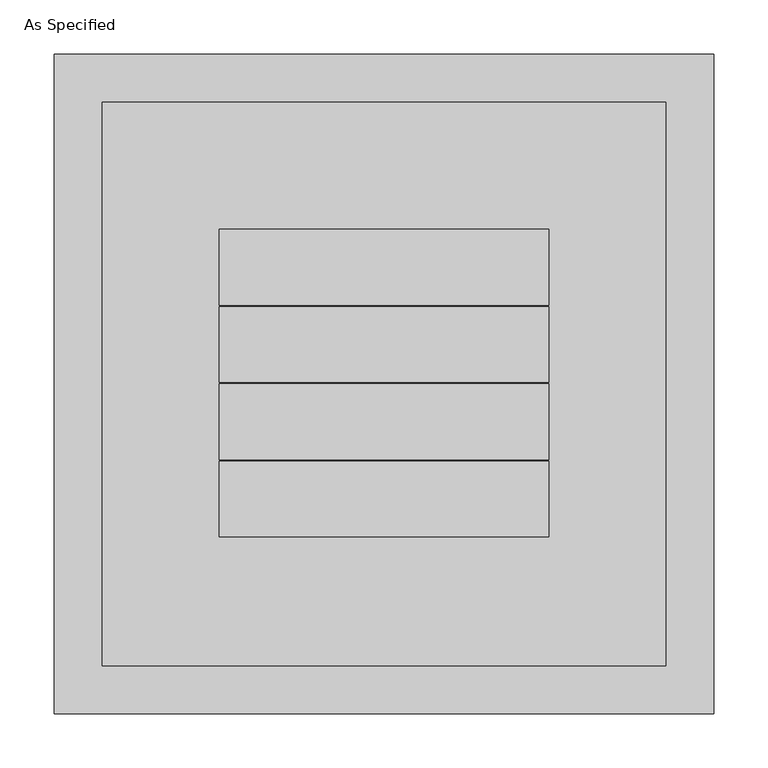
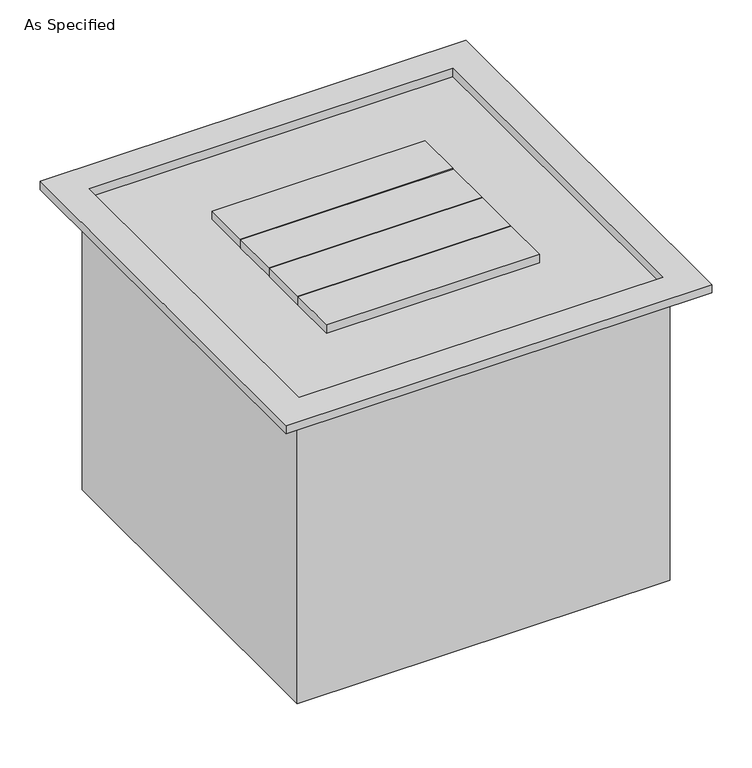
"""IFC4 building model written with IfcOpenShell, lengths in millimetres: proxy geometry, As Specified."""

from ifc_helpers import new_model, si_unit, origin, place, context, project, spatial, faceted_brep, source, transform, mapped, element, save


def as_specified_ea8644ae(model_context):
    return source(origin(), model_context, "Body", "Brep", [
        faceted_brep([(304.8, 304.8, 12.7), (-304.8, 304.8, 12.7), (-304.8, -304.8, 12.7), (304.8, -304.8, 12.7), (-260.3499852, -260.3499927, 12.7), (-260.3499852, 260.3499852, 12.7), (260.3499927, 260.3499852, 12.7), (260.3499927, -260.3499927, 12.7), (152.4000056, 142.7479945, 12.7), (-152.3999981, 142.7479945, 12.7), (-152.3999981, 72.8979967, 12.7), (152.4000056, 72.8979967, 12.7), (-152.3999981, 71.3739954, 12.7), (-152.3999981, 1.5239962, 12.7), (152.4000056, 1.5239962, 12.7), (152.4000056, 71.3739954, 12.7), (152.4000056, 0.0, 12.7), (-152.3999981, 0.0, 12.7), (-152.3999981, -69.8500015, 12.7), (152.4000056, -69.8500015, 12.7), (-152.3999981, -71.3740029, 12.7), (-152.3999981, -141.2240006, 12.7), (152.4000056, -141.2240006, 12.7), (152.4000056, -71.3740029, 12.7), (304.8, 304.8, 0.0), (304.8, -304.8, 0.0), (-304.8, -304.8, 0.0), (-304.8, 304.8, 0.0), (266.7, 266.7, 0.0), (-266.7, 266.7, 0.0), (-266.7, -266.7, 0.0), (266.7, -266.7, 0.0), (266.7, 266.7, -444.5), (266.7, -266.7, -444.5), (-266.7, -266.7, -444.5), (-266.7, 266.7, -444.5), (-260.3499852, 260.3499852, 0.0), (-260.3499852, -260.3499927, 0.0), (260.3499927, -260.3499927, 0.0), (260.3499927, 260.3499852, 0.0), (-152.3999981, 142.7479945, 0.0), (152.4000056, 142.7479945, 0.0), (152.4000056, 72.8979967, 0.0), (-152.3999981, 72.8979967, 0.0), (-152.3999981, 1.5239962, 0.0), (-152.3999981, 71.3739954, 0.0), (152.4000056, 71.3739954, 0.0), (152.4000056, 1.5239962, 0.0), (-152.3999981, 0.0, 0.0), (152.4000056, 0.0, 0.0), (152.4000056, -69.8500015, 0.0), (-152.3999981, -69.8500015, 0.0), (-152.3999981, -141.2240006, 0.0), (-152.3999981, -71.3740029, 0.0), (152.4000056, -71.3740029, 0.0), (152.4000056, -141.2240006, 0.0)], [[[0, 1, 2, 3], [4, 5, 6, 7]], [[8, 9, 10, 11]], [[12, 13, 14, 15]], [[16, 17, 18, 19]], [[20, 21, 22, 23]], [[24, 25, 26, 27], [28, 29, 30, 31]], [[32, 33, 34, 35]], [[36, 37, 38, 39], [40, 41, 42, 43], [44, 45, 46, 47], [48, 49, 50, 51], [52, 53, 54, 55]], [[1, 0, 24, 27]], [[2, 1, 27, 26]], [[3, 2, 26, 25]], [[0, 3, 25, 24]], [[5, 4, 37, 36]], [[6, 5, 36, 39]], [[7, 6, 39, 38]], [[4, 7, 38, 37]], [[32, 35, 29, 28]], [[35, 34, 30, 29]], [[34, 33, 31, 30]], [[33, 32, 28, 31]], [[9, 8, 41, 40]], [[10, 9, 40, 43]], [[11, 10, 43, 42]], [[8, 11, 42, 41]], [[13, 12, 45, 44]], [[14, 13, 44, 47]], [[15, 14, 47, 46]], [[12, 15, 46, 45]], [[17, 16, 49, 48]], [[18, 17, 48, 51]], [[19, 18, 51, 50]], [[16, 19, 50, 49]], [[21, 20, 53, 52]], [[22, 21, 52, 55]], [[23, 22, 55, 54]], [[20, 23, 54, 53]]]),
    ])


if __name__ == "__main__":
    model = new_model("IFC4")
    model_context = context("Model", 3, world=origin())
    ifc_project = project(units=[si_unit("LENGTHUNIT", "METRE", prefix="MILLI")], contexts=[model_context])
    site = spatial("IfcSite", under=ifc_project)
    building = spatial("IfcBuilding", under=site)
    placement = place(None, origin())
    as_specified_shape = as_specified_ea8644ae(model_context)
    element("IfcBuildingElementProxy", 1, Name="As Specified", ObjectType="As Specified", at=placement, inside=building, context=model_context, shape_type="MappedRepresentation", body=[
        mapped(as_specified_shape, transform((0.0, 0.0, 0.0), x_axis=(1.0, 0.0, 0.0), y_axis=(0.0, 1.0, 0.0), z_axis=(0.0, 0.0, 1.0))),
    ])
    save(model, "model.ifc")
